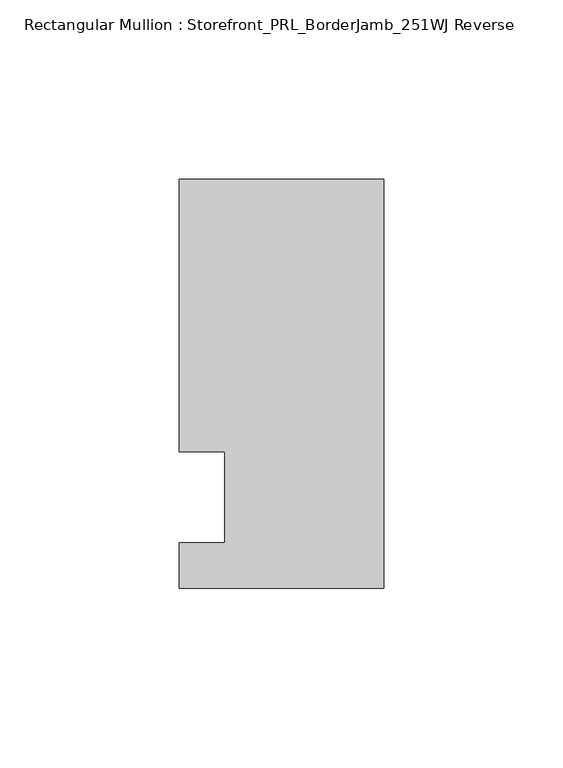
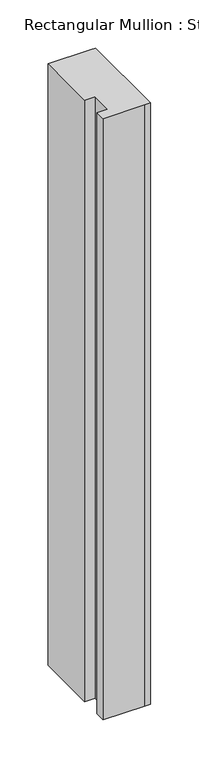
"""IFC4 building model written with IfcOpenShell, lengths in millimetres: member geometry, Rectangular Mullion : Storefront_PRL_BorderJamb_251WJ Reverse."""

from ifc_helpers import new_model, si_unit, frame, origin, place, context, project, spatial, polyline, outline, extrude, source, transform, mapped, element, save


def rectangular_mullion_storefront_prl_borderjamb_251wj_reverse_5cecb424(model_context):
    return source(origin(), model_context, "Body", "SweptSolid", [
        extrude(outline(polyline([(-44.45, 12.7), (-57.15, 12.7), (-57.15, 88.9), (-6.35, 88.9), (0.0, 88.9), (0.0, -25.4), (-7.3958824, -25.4), (-57.15, -25.4), (-57.15, -12.7), (-44.45, -12.7), (-44.45, 12.7)])), frame((0.0, 0.0, -762.0), z_axis=(0.0, 0.0, 1.0), x_axis=(1.0, 0.0, 0.0)), (0.0, 0.0, 1.0), 762.0),
    ])


if __name__ == "__main__":
    model = new_model("IFC4")
    model_context = context("Model", 3, world=origin())
    ifc_project = project(units=[si_unit("LENGTHUNIT", "METRE", prefix="MILLI")], contexts=[model_context])
    site = spatial("IfcSite", under=ifc_project)
    building = spatial("IfcBuilding", under=site)
    placement = place(None, origin())
    rectangular_mullion_storefront_prl_borderjamb_251wj_reverse_shape = rectangular_mullion_storefront_prl_borderjamb_251wj_reverse_5cecb424(model_context)
    element("IfcMember", 1, ObjectType="Rectangular Mullion : Storefront_PRL_BorderJamb_251WJ Reverse", at=placement, inside=building, context=model_context, shape_type="MappedRepresentation", body=[
        mapped(rectangular_mullion_storefront_prl_borderjamb_251wj_reverse_shape, transform((0.0, 0.0, 0.0), x_axis=(1.0, 0.0, 0.0), y_axis=(0.0, 1.0, 0.0), z_axis=(0.0, 0.0, 1.0))),
    ])
    save(model, "model.ifc")
